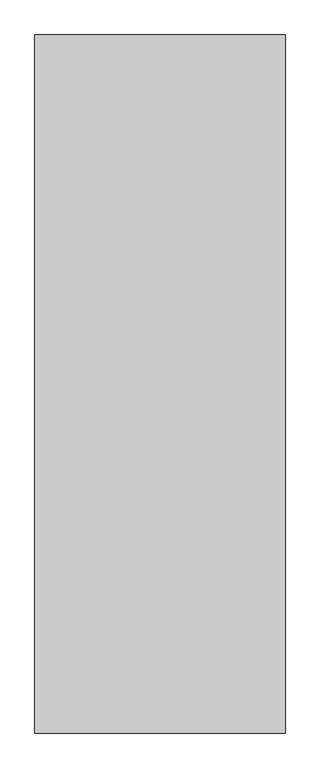
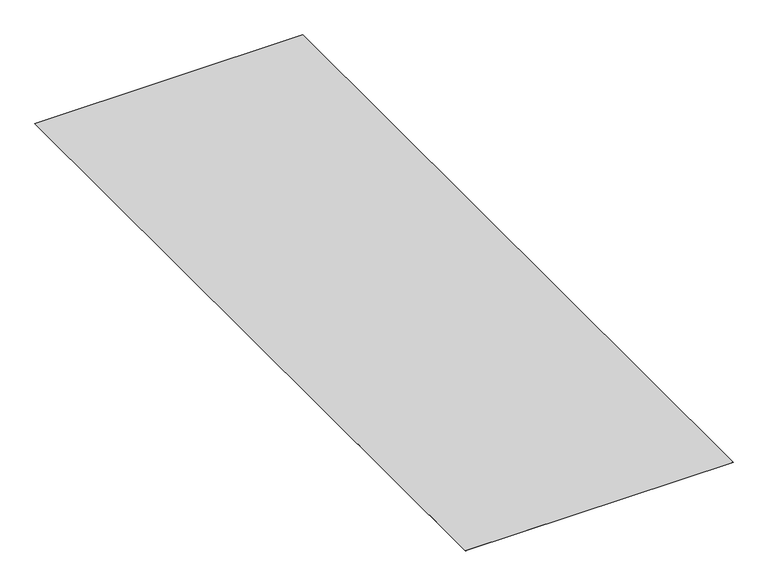
"""IFC4 building model written with IfcOpenShell, lengths in millimetres: proxy geometry."""

from ifc_helpers import new_model, si_unit, origin, origin_with_axes, place, context, project, spatial, polyline, outline, extrude, source, transform, mapped, element, save


def specialty_equipment_53d30b9f(model_context):
    return source(origin(), model_context, "Body", "SweptSolid", [
        extrude(outline(polyline([(2133.6, -10363.2), (-2133.6, -10363.2), (-2133.6, 1524.0), (2133.6, 1524.0), (2133.6, -10363.2)])), origin_with_axes(), (0.0, 0.0, 1.0), 1.5875),
    ])


if __name__ == "__main__":
    model = new_model("IFC4")
    model_context = context("Model", 3, world=origin())
    ifc_project = project(units=[si_unit("LENGTHUNIT", "METRE", prefix="MILLI")], contexts=[model_context])
    site = spatial("IfcSite", under=ifc_project)
    building = spatial("IfcBuilding", under=site)
    placement = place(None, origin())
    specialty_equipment_shape = specialty_equipment_53d30b9f(model_context)
    element("IfcBuildingElementProxy", 1, Name="Specialty Equipment", at=placement, inside=building, context=model_context, shape_type="MappedRepresentation", body=[
        mapped(specialty_equipment_shape, transform((0.0, 0.0, 0.0), x_axis=(1.0, 0.0, 0.0), y_axis=(0.0, 1.0, 0.0), z_axis=(0.0, 0.0, 1.0))),
    ])
    save(model, "model.ifc")
